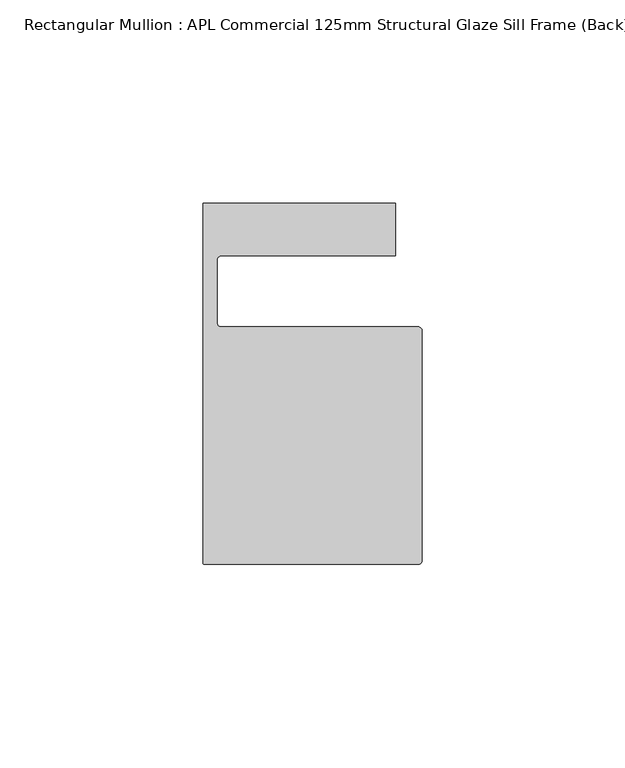
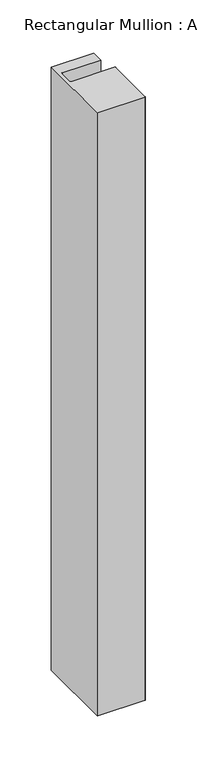
"""IFC4 building model written with IfcOpenShell, lengths in millimetres: member geometry, Rectangular Mullion : APL Commercial 125mm Structural Glaze Sill Frame (Back)."""

from ifc_helpers import new_model, si_unit, frame, origin, place, context, project, spatial, polyline, circle_curve, source, transform, mapped, element, save
from ifc_brep_helpers import plane_surface, cylinder_surface, revolved_surface, advanced_brep


def rectangular_mullion_apl_commercial_125mm_structural_glaze_77679506(model_context):
    return source(origin(), model_context, "Body", "AdvancedBrep", [
        advanced_brep(
        [(-53.5000029, -104.0, 0.0), (-1.0000025, -104.0, 0.0), (-2.5e-06, -103.0, 0.0), (0.0, -46.5010268, 0.0), (-1.0, -45.5010268, 0.0), (-49.5000004, -45.5010268, 0.0), (-50.5000004, -44.5010268, 0.0), (-50.5000029, -29.0004332, 0.0), (-49.5000029, -28.0004332, 0.0), (-6.5000029, -28.0004332, 0.0), (-6.5000029, -15.0004332, 0.0), (-54.0000029, -15.0004332, 0.0), (-54.0000029, -103.5, 0.0), (-53.5000029, -104.0, -715.3626887), (-54.0000029, -103.5, -715.3626887), (-54.0000029, -15.0004332, -715.3626887), (-6.5000029, -15.0004332, -715.3626887), (-6.5000029, -28.0004332, -715.3626887), (-49.5000029, -28.0004332, -715.3626887), (-50.5000029, -29.0004332, -715.3626887), (-50.5000029, -44.5010268, -715.3626887), (-49.5000004, -45.5010268, -715.3626887), (-1.0, -45.5010268, -715.3626887), (0.0, -46.5010268, -715.3626887), (0.0, -103.0, -715.3626887), (-1.0000025, -104.0, -715.3626887)],
        [
            (0, 1),
            (1, 2, circle_curve(frame((-1.0000025, -103.0, 0.0), z_axis=(0.0, 0.0, 1.0), x_axis=(0.9999999999996143, -8.78371761103865e-07, 0.0)), 1.0)),
            (2, 3),
            (3, 4, circle_curve(frame((-1.0, -46.5010268, 0.0), z_axis=(0.0, 0.0, 1.0), x_axis=(0.0, 1.0, 0.0)), 1.0)),
            (4, 5),
            (5, 6, circle_curve(frame((-49.5000004, -44.5010268, 0.0), z_axis=(0.0, 0.0, -1.0), x_axis=(-0.9999999999998819, -4.863123717036027e-07, 0.0)), 1.0)),
            (6, 7),
            (7, 8, circle_curve(frame((-49.5000029, -29.0004332, 0.0), z_axis=(0.0, 0.0, -1.0), x_axis=(0.0, 1.0, 0.0)), 1.0)),
            (8, 9),
            (9, 10),
            (10, 11),
            (11, 12),
            (12, 0, circle_curve(frame((-53.5000029, -103.5, 0.0), z_axis=(0.0, 0.0, 1.0), x_axis=(0.0, -1.0, 0.0)), 0.5)),
            (13, 14, circle_curve(frame((-53.5000029, -103.5, -715.3626887), z_axis=(0.0, 0.0, -1.0), x_axis=(0.0, -1.0, 0.0)), 0.5)),
            (14, 15),
            (15, 16),
            (16, 17),
            (17, 18),
            (18, 19, circle_curve(frame((-49.5000029, -29.0004332, -715.3626887), z_axis=(0.0, 0.0, 1.0), x_axis=(0.0, 1.0, 0.0)), 1.0)),
            (19, 20),
            (20, 21, circle_curve(frame((-49.5000004, -44.5010268, -715.3626887), z_axis=(0.0, 0.0, 1.0), x_axis=(-0.9999999999998819, -4.863123717036027e-07, 0.0)), 1.0)),
            (21, 22),
            (22, 23, circle_curve(frame((-1.0, -46.5010268, -715.3626887), z_axis=(0.0, 0.0, -1.0), x_axis=(0.0, 1.0, 0.0)), 1.0)),
            (23, 24),
            (24, 25, circle_curve(frame((-1.0000025, -103.0, -715.3626887), z_axis=(0.0, 0.0, -1.0), x_axis=(0.9999999999996143, -8.78371761103865e-07, 0.0)), 1.0)),
            (25, 13),
            (0, 13),
            (25, 1),
            (24, 2),
            (23, 3),
            (22, 4),
            (21, 5),
            (20, 6),
            (19, 7),
            (18, 8),
            (17, 9),
            (16, 10),
            (15, 11),
            (14, 12),
        ],
        [
            plane_surface(frame((0.0, -116.986179, 0.0), z_axis=(0.0, 0.0, 1.0), x_axis=(-1.0, 0.0, 0.0))),
            plane_surface(frame((0.0, -116.986179, -715.3626887), z_axis=(0.0, 0.0, -1.0), x_axis=(-1.0, 0.0, 0.0))),
            plane_surface(frame((-53.5000029, -104.0, 0.0), z_axis=(0.0, -1.0, 0.0), x_axis=(0.0, 0.0, -1.0))),
            cylinder_surface(frame((-1.0000025, -103.0, 0.0), z_axis=(0.0, 0.0, 1.0000000000000002), x_axis=(0.9999999999996143, -8.78371761103865e-07, 0.0)), 1.0),
            plane_surface(frame((0.0, -103.0, 0.0), z_axis=(1.0, 0.0, 0.0), x_axis=(0.0, 0.0, -1.0))),
            cylinder_surface(frame((-1.0, -46.5010268, 0.0), z_axis=(0.0, 0.0, 1.0), x_axis=(0.0, 1.0, 0.0)), 1.0),
            plane_surface(frame((-1.0, -45.5010268, 0.0), z_axis=(0.0, 1.0, 0.0), x_axis=(0.0, 0.0, -1.0))),
            revolved_surface(polyline([(-50.50000039999988, -44.50102728631237, -715.3626887000003), (-50.50000039999988, -44.50102728631237, 0.0)]), (-49.5000004, -44.5010268, 0.0), (0.0, 0.0, -1.0000000000000002)),
            plane_surface(frame((-50.5000029, -44.5010268, 0.0), z_axis=(1.0, 0.0, 0.0), x_axis=(0.0, 0.0, -1.0))),
            revolved_surface(polyline([(-49.5000029, -28.0004332, -715.3626887), (-49.5000029, -28.0004332, 0.0)]), (-49.5000029, -29.0004332, 0.0), (0.0, 0.0, -1.0)),
            plane_surface(frame((-49.5000029, -28.0004332, 0.0), z_axis=(0.0, -1.0, 0.0), x_axis=(0.0, 0.0, -1.0))),
            plane_surface(frame((-6.5000029, -28.0004332, 0.0), z_axis=(1.0, 0.0, 0.0), x_axis=(0.0, 0.0, -1.0))),
            plane_surface(frame((-6.5000029, -15.0004332, 0.0), z_axis=(0.0, 1.0, 0.0), x_axis=(0.0, 0.0, -1.0))),
            plane_surface(frame((-54.0000029, -15.0004332, 0.0), z_axis=(-1.0, 0.0, 0.0), x_axis=(0.0, 0.0, -1.0))),
            cylinder_surface(frame((-53.5000029, -103.5, 0.0), z_axis=(0.0, 0.0, 1.0), x_axis=(0.0, -1.0, 0.0)), 0.5),
        ],
        [
            (0, [[1, 2, 3, 4, 5, 6, 7, 8, 9, 10, 11, 12, 13]]),
            (1, [[14, 15, 16, 17, 18, 19, 20, 21, 22, 23, 24, 25, 26]]),
            (2, [[-1, 27, -26, 28]]),
            (3, [[-2, -28, -25, 29]]),
            (4, [[-3, -29, -24, 30]]),
            (5, [[-4, -30, -23, 31]]),
            (6, [[-5, -31, -22, 32]]),
            (7, [[-6, -32, -21, 33]]),
            (8, [[-7, -33, -20, 34]]),
            (9, [[-8, -34, -19, 35]]),
            (10, [[-9, -35, -18, 36]]),
            (11, [[-10, -36, -17, 37]]),
            (12, [[-11, -37, -16, 38]]),
            (13, [[-12, -38, -15, 39]]),
            (14, [[-13, -39, -14, -27]]),
        ],
    ),
    ])


if __name__ == "__main__":
    model = new_model("IFC4")
    model_context = context("Model", 3, world=origin())
    ifc_project = project(units=[si_unit("LENGTHUNIT", "METRE", prefix="MILLI")], contexts=[model_context])
    site = spatial("IfcSite", under=ifc_project)
    building = spatial("IfcBuilding", under=site)
    placement = place(None, origin())
    rectangular_mullion_apl_commercial_125mm_structural_glaze_shape = rectangular_mullion_apl_commercial_125mm_structural_glaze_77679506(model_context)
    element("IfcMember", 1, ObjectType="Rectangular Mullion : APL Commercial 125mm Structural Glaze Sill Frame (Back)", at=placement, inside=building, context=model_context, shape_type="MappedRepresentation", body=[
        mapped(rectangular_mullion_apl_commercial_125mm_structural_glaze_shape, transform((0.0, 0.0, 0.0), x_axis=(1.0, 0.0, 0.0), y_axis=(0.0, 1.0, 0.0), z_axis=(0.0, 0.0, 1.0))),
    ])
    save(model, "model.ifc")
